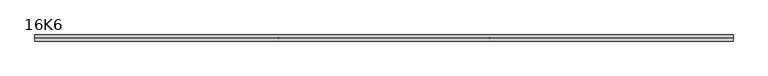
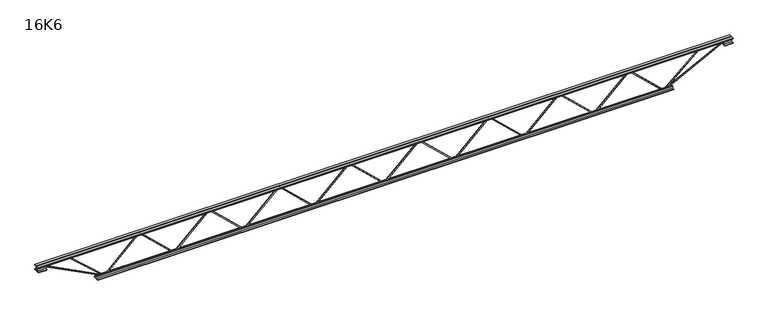
"""IFC4 building model written with IfcOpenShell, lengths in millimetres: beam geometry, 16K6."""

from ifc_helpers import new_model, si_unit, frame, origin, place, context, project, spatial, polyline, outline, extrude, source, transform, mapped, element, save


def beam_16k6_8442ddca(model_context):
    return source(origin(), model_context, "Body", "SweptSolid", [
        extrude(outline(polyline([(-191.9, 1684.1071429), (-201.4, 1684.1071429), (-201.4, 1689.1767505), (191.9, 2103.7642505), (191.9, 2106.3250353), (-201.4, 2520.9125353), (-201.4, 2525.9821429), (-191.9, 2525.9821429), (-191.9, 2524.7017505), (201.4, 2110.1142505), (201.4, 2099.9750353), (-191.9, 1685.3875353), (-191.9, 1684.1071429)])), frame((0.0, -4.75, 0.0), z_axis=(0.0, 1.0, 0.0), x_axis=(0.0, 0.0, 1.0)), (0.0, 0.0, 1.0), 9.5),
        extrude(outline(polyline([(-191.9, 842.0892857), (-201.4, 842.0892857), (-201.4, 847.1588933), (191.9, 1261.7463933), (191.9, 1264.3071781), (-201.4, 1678.8946781), (-201.4, 1683.9642857), (-191.9, 1683.9642857), (-191.9, 1682.6838933), (201.4, 1268.0963933), (201.4, 1257.9571781), (-191.9, 843.3696781), (-191.9, 842.0892857)])), frame((0.0, -4.75, 0.0), z_axis=(0.0, 1.0, 0.0), x_axis=(0.0, 0.0, 1.0)), (0.0, 0.0, 1.0), 9.5),
        extrude(outline(polyline([(-191.9, 0.0714286), (-201.4, 0.0714286), (-201.4, 5.1410362), (191.9, 419.7285362), (191.9, 422.289321), (-201.4, 836.876821), (-201.4, 841.9464286), (-191.9, 841.9464286), (-191.9, 840.6660362), (201.4, 426.0785362), (201.4, 415.939321), (-191.9, 1.351821), (-191.9, 0.0714286)])), frame((0.0, -4.75, 0.0), z_axis=(0.0, 1.0, 0.0), x_axis=(0.0, 0.0, 1.0)), (0.0, 0.0, 1.0), 9.5),
        extrude(outline(polyline([(-191.9, -841.9464286), (-201.4, -841.9464286), (-201.4, -836.876821), (191.9, -422.289321), (191.9, -419.7285362), (-201.4, -5.1410362), (-201.4, -0.0714286), (-191.9, -0.0714286), (-191.9, -1.351821), (201.4, -415.939321), (201.4, -426.0785362), (-191.9, -840.6660362), (-191.9, -841.9464286)])), frame((0.0, -4.75, 0.0), z_axis=(0.0, 1.0, 0.0), x_axis=(0.0, 0.0, 1.0)), (0.0, 0.0, 1.0), 9.5),
        extrude(outline(polyline([(-191.9, -1683.9642857), (-201.4, -1683.9642857), (-201.4, -1678.8946781), (191.9, -1264.3071781), (191.9, -1261.7463933), (-201.4, -847.1588933), (-201.4, -842.0892857), (-191.9, -842.0892857), (-191.9, -843.3696781), (201.4, -1257.9571781), (201.4, -1268.0963933), (-191.9, -1682.6838933), (-191.9, -1683.9642857)])), frame((0.0, -4.75, 0.0), z_axis=(0.0, 1.0, 0.0), x_axis=(0.0, 0.0, 1.0)), (0.0, 0.0, 1.0), 9.5),
        extrude(outline(polyline([(-191.9, -2525.9821429), (-201.4, -2525.9821429), (-201.4, -2520.9125353), (191.9, -2106.3250353), (191.9, -2103.7642505), (-201.4, -1689.1767505), (-201.4, -1684.1071429), (-191.9, -1684.1071429), (-191.9, -1685.3875353), (201.4, -2099.9750353), (201.4, -2110.1142505), (-191.9, -2524.7017505), (-191.9, -2525.9821429)])), frame((0.0, -4.75, 0.0), z_axis=(0.0, 1.0, 0.0), x_axis=(0.0, 0.0, 1.0)), (0.0, 0.0, 1.0), 9.5),
        extrude(outline(polyline([(-191.9, 2526.125), (-201.4, 2526.125), (-201.4, 2531.1946076), (191.9, 2945.7821076), (191.9, 2948.3428924), (-201.4, 3362.9303924), (-201.4, 3368.0), (-191.9, 3368.0), (-191.9, 3366.7196076), (201.4, 2952.1321076), (201.4, 2941.9928924), (-191.9, 2527.4053924), (-191.9, 2526.125)])), frame((0.0, -4.75, 0.0), z_axis=(0.0, 1.0, 0.0), x_axis=(0.0, 0.0, 1.0)), (0.0, 0.0, 1.0), 9.5),
        extrude(outline(polyline([(-191.9, -3368.0), (-201.4, -3368.0), (-201.4, -3362.9303924), (191.9, -2948.3428924), (191.9, -2945.7821076), (-201.4, -2531.1946076), (-201.4, -2526.125), (-191.9, -2526.125), (-191.9, -2527.4053924), (201.4, -2941.9928924), (201.4, -2952.1321076), (-191.9, -3366.7196076), (-191.9, -3368.0)])), frame((0.0, -4.75, 0.0), z_axis=(0.0, 1.0, 0.0), x_axis=(0.0, 0.0, 1.0)), (0.0, 0.0, 1.0), 9.5),
        extrude(outline(polyline([(4.75, 203.0), (36.75, 203.0), (36.75, 196.5), (11.25, 196.5), (11.25, 171.0), (4.75, 171.0), (4.75, 203.0)])), frame((-4180.0, 0.0, 0.0), z_axis=(1.0, 0.0, 0.0), x_axis=(0.0, 1.0, 0.0)), (0.0, 0.0, 1.0), 8360.0),
        extrude(outline(polyline([(-4.75, 203.0), (-4.75, 171.0), (-11.25, 171.0), (-11.25, 196.5), (-36.75, 196.5), (-36.75, 203.0), (-4.75, 203.0)])), frame((-4180.0, 0.0, 0.0), z_axis=(1.0, 0.0, 0.0), x_axis=(0.0, 1.0, 0.0)), (0.0, 0.0, 1.0), 8360.0),
        extrude(outline(polyline([(-4.75, 139.5), (-36.75, 139.5), (-36.75, 146.0), (-11.25, 146.0), (-11.25, 171.0), (-4.75, 171.0), (-4.75, 139.5)])), frame((-4180.0, 0.0, 0.0), z_axis=(1.0, 0.0, 0.0), x_axis=(0.0, 1.0, 0.0)), (0.0, 0.0, 1.0), 100.0),
        extrude(outline(polyline([(36.75, 139.5), (4.75, 139.5), (4.75, 171.0), (11.25, 171.0), (11.25, 146.0), (36.75, 146.0), (36.75, 139.5)])), frame((-4180.0, 0.0, 0.0), z_axis=(1.0, 0.0, 0.0), x_axis=(0.0, 1.0, 0.0)), (0.0, 0.0, 1.0), 100.0),
        extrude(outline(polyline([(4.75, 139.5), (4.75, 171.0), (11.25, 171.0), (11.25, 146.0), (36.75, 146.0), (36.75, 139.5), (4.75, 139.5)])), frame((4080.0, 0.0, 0.0), z_axis=(1.0, 0.0, 0.0), x_axis=(0.0, 1.0, 0.0)), (0.0, 0.0, 1.0), 100.0),
        extrude(outline(polyline([(-4.75, 139.5), (-36.75, 139.5), (-36.75, 146.0), (-11.25, 146.0), (-11.25, 171.0), (-4.75, 171.0), (-4.75, 139.5)])), frame((4080.0, 0.0, 0.0), z_axis=(1.0, 0.0, 0.0), x_axis=(0.0, 1.0, 0.0)), (0.0, 0.0, 1.0), 100.0),
        extrude(outline(polyline([(4.75, -203.0), (4.75, -171.0), (11.25, -171.0), (11.25, -196.5), (36.75, -196.5), (36.75, -203.0), (4.75, -203.0)])), frame((-3468.0, 0.0, 0.0), z_axis=(1.0, 0.0, 0.0), x_axis=(0.0, 1.0, 0.0)), (0.0, 0.0, 1.0), 6936.0),
        extrude(outline(polyline([(-4.75, -203.0), (-36.75, -203.0), (-36.75, -196.5), (-11.25, -196.5), (-11.25, -171.0), (-4.75, -171.0), (-4.75, -203.0)])), frame((-3468.0, 0.0, 0.0), z_axis=(1.0, 0.0, 0.0), x_axis=(0.0, 1.0, 0.0)), (0.0, 0.0, 1.0), 6936.0),
        extrude(outline(polyline([(-200.8705467, -3370.1793315), (-192.4294533, -3365.8206685), (175.75, -4078.8460208), (175.75, -4180.0), (166.25, -4180.0), (166.25, -4081.1539792), (-200.8705467, -3370.1793315)])), frame((0.0, -4.75, 0.0), z_axis=(0.0, 1.0, 0.0), x_axis=(0.0, 0.0, 1.0)), (0.0, 0.0, 1.0), 9.5),
        extrude(outline(polyline([(188.7, -3808.8946429), (179.2, -3808.8946429), (179.2, -3798.0005277), (-200.2002661, -3371.1556474), (-193.0997339, -3364.8443526), (188.7, -3794.388758), (188.7, -3808.8946429)])), frame((0.0, -4.75, 0.0), z_axis=(0.0, 1.0, 0.0), x_axis=(0.0, 0.0, 1.0)), (0.0, 0.0, 1.0), 9.5),
        extrude(outline(polyline([(0.0, -9.5), (0.0, 0.0), (801.3179909, 0.0), (801.3179909, -9.5), (0.0, -9.5)])), frame((4082.1793315, -4.75, 166.7794533), z_axis=(-0.45880662132449623, 0.0, 0.8885361468329809), x_axis=(-0.8885361468329809, 0.0, -0.45880662132449623)), (0.0, 0.0, 1.0), 9.5),
        extrude(outline(polyline([(0.0, -9.5), (0.0, 0.0), (586.7735063, 0.0), (586.7735063, -9.5), (0.0, -9.5)])), frame((3806.6355951, -4.75, 193.124967), z_axis=(-0.6702756613673959, 0.0, 0.7421122137375856), x_axis=(-0.7421122137375856, 0.0, -0.6702756613673959)), (0.0, 0.0, 1.0), 9.5),
    ])


if __name__ == "__main__":
    model = new_model("IFC4")
    model_context = context("Model", 3, world=origin())
    ifc_project = project(units=[si_unit("LENGTHUNIT", "METRE", prefix="MILLI")], contexts=[model_context])
    site = spatial("IfcSite", under=ifc_project)
    building = spatial("IfcBuilding", under=site)
    placement = place(None, origin())
    beam_16k6_shape = beam_16k6_8442ddca(model_context)
    element("IfcBeam", 1, ObjectType="16K6", at=placement, inside=building, context=model_context, shape_type="MappedRepresentation", body=[
        mapped(beam_16k6_shape, transform((0.0, 0.0, 0.0), x_axis=(1.0, 0.0, 0.0), y_axis=(0.0, 1.0, 0.0), z_axis=(0.0, 0.0, 1.0))),
    ])
    save(model, "model.ifc")
